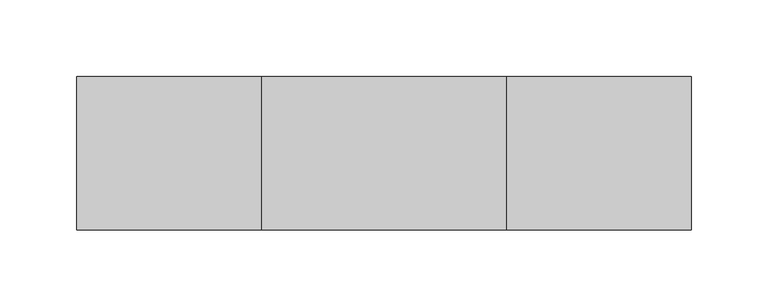
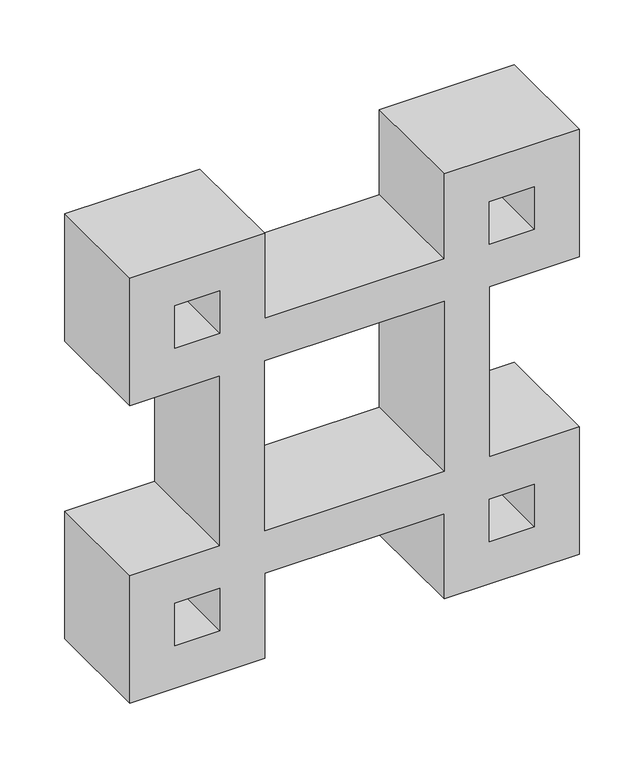
"""IFC4 building model written with IfcOpenShell, lengths in millimetres: plate geometry."""

from ifc_helpers import new_model, si_unit, frame, origin, place, context, project, spatial, polyline, outline, extrude, source, transform, mapped, element, save


def plate_a4d38680(model_context):
    return source(origin(), model_context, "Body", "SweptSolid", [
        extrude(outline(polyline([(400.0, 80.0), (320.0, 80.0), (320.0, -80.0), (400.0, -80.0), (400.0, -200.0), (280.0, -200.0), (280.0, -120.0), (120.0, -120.0), (120.0, -200.0), (0.0, -200.0), (0.0, -80.0), (80.0, -80.0), (80.0, 80.0), (0.0, 80.0), (0.0, 200.0), (120.0, 200.0), (120.0, 120.0), (280.0, 120.0), (280.0, 200.0), (400.0, 200.0), (400.0, 80.0)]), holes=[polyline([(280.0, -80.0), (280.0, 80.0), (120.0, 80.0), (120.0, -80.0), (280.0, -80.0)]), polyline([(360.0, -120.0), (320.0, -120.0), (320.0, -160.0), (360.0, -160.0), (360.0, -120.0)]), polyline([(360.0, 120.0), (360.0, 160.0), (320.0, 160.0), (320.0, 120.0), (360.0, 120.0)]), polyline([(80.0, 120.0), (80.0, 160.0), (40.0, 160.0), (40.0, 120.0), (80.0, 120.0)]), polyline([(80.0, -160.0), (80.0, -120.0), (40.0, -120.0), (40.0, -160.0), (80.0, -160.0)])]), frame((0.0, -100.0, 0.0), z_axis=(0.0, 1.0, 0.0), x_axis=(0.0, 0.0, 1.0)), (0.0, 0.0, 1.0), 100.0),
    ])


if __name__ == "__main__":
    model = new_model("IFC4")
    model_context = context("Model", 3, world=origin())
    ifc_project = project(units=[si_unit("LENGTHUNIT", "METRE", prefix="MILLI")], contexts=[model_context])
    site = spatial("IfcSite", under=ifc_project)
    building = spatial("IfcBuilding", under=site)
    placement = place(None, origin())
    plate_shape = plate_a4d38680(model_context)
    element("IfcPlate", 1, at=placement, inside=building, context=model_context, shape_type="MappedRepresentation", body=[
        mapped(plate_shape, transform((0.0, 0.0, 0.0), x_axis=(1.0, 0.0, 0.0), y_axis=(0.0, 1.0, 0.0), z_axis=(0.0, 0.0, 1.0))),
    ])
    save(model, "model.ifc")
